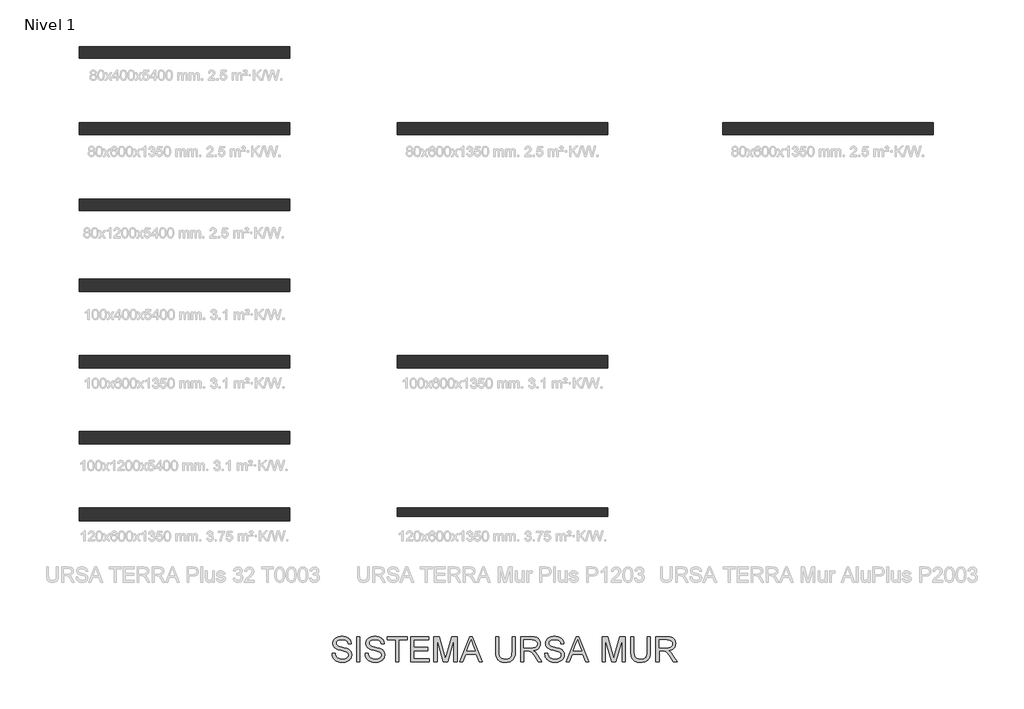
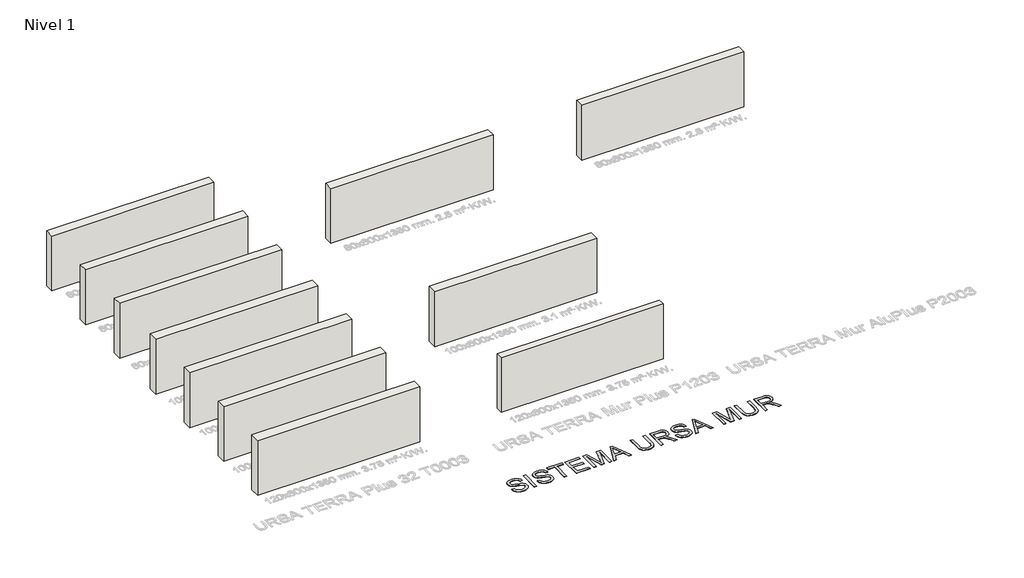
# One storey, part 1 of 15: 11 walls, 1 proxy.
"""IFC4 building model written with IfcOpenShell, lengths in millimetres."""

from ifc_helpers import new_model, si_unit, origin, origin_with_axes, place, context, project, spatial, polyline, outline, extrude, element, save

model = new_model("IFC4")

# Units and contexts
model_context = context("Model", 3, world=origin())
ifc_project = project(units=[si_unit("LENGTHUNIT", "METRE", prefix="MILLI")], contexts=[model_context])

# Site, building, storey
site = spatial("IfcSite", under=ifc_project)
building = spatial("IfcBuilding", under=site)
storey = spatial("IfcBuildingStorey", under=building, Name="Nivel 1", Elevation=0.0)

# Proxy
placement = place(None, origin())
element("IfcBuildingElementProxy", 1, Name="Texto de modelo 2", ObjectType="Texto de modelo 2", at=placement, inside=storey, context=model_context, shape_type="SweptSolid", body=[
    extrude(outline(polyline([(-16087.5902814, -17271.0062376), (-15962.0198937, -17271.0062376), (-15956.2717376, -17307.5568466), (-15947.6111823, -17340.6892188), (-15936.0382278, -17370.4033541), (-15921.5528743, -17396.6992526), (-15903.4193576, -17420.1057445), (-15880.9019138, -17441.1516603), (-15854.0005429, -17459.837), (-15822.7152449, -17476.1617635), (-15788.195651, -17489.4131796), (-15751.5913925, -17498.8784767), (-15712.9024693, -17504.557655), (-15672.1288815, -17506.4507145), (-15602.1699888, -17500.7178867), (-15570.4554951, -17493.551852), (-15540.9176366, -17483.5194034), (-15514.284513, -17470.9807588), (-15491.2842241, -17456.2961358), (-15471.9167699, -17439.4655345), (-15456.1821504, -17420.4889549), (-15444.0037235, -17400.1864673), (-15435.3048471, -17379.378142), (-15430.0855213, -17358.0639789), (-15428.3457461, -17336.243978), (-15433.5574077, -17294.2134601), (-15449.1923925, -17257.8851131), (-15462.3441738, -17241.7672831), (-15480.9528714, -17226.891055), (-15505.0184852, -17213.2564285), (-15534.5410153, -17200.8634038), (-15600.851745, -17181.1510602), (-15717.3783669, -17152.9161171), (-15837.3998679, -17121.186295), (-15881.2008179, -17105.8961996), (-15914.1952344, -17090.9893146), (-15947.7261454, -17070.9857311), (-15976.7045167, -17048.7441988), (-16001.1303483, -17024.2647177), (-16021.0036403, -16997.5472878), (-16036.4010346, -16968.8678206), (-16047.3991734, -16938.5022276), (-16053.9980567, -16906.4505088), (-16056.1976845, -16872.7126641), (-16053.4768906, -16835.3189921), (-16045.3145088, -16799.1669219), (-16031.7105392, -16764.2564534), (-16012.6649817, -16730.5875866), (-15988.3924343, -16699.5322149), (-15959.1074946, -16672.4622314), (-15924.8101628, -16649.3776362), (-15885.5004387, -16630.2784293), (-15842.5042305, -16615.3102306), (-15797.1474462, -16604.6186601), (-15749.4300858, -16598.2037178), (-15699.3521492, -16596.0654037), (-15644.7216729, -16598.3033525), (-15593.4021346, -16605.017199), (-15545.3935342, -16616.206943), (-15500.6958718, -16631.8725846), (-15460.1368818, -16651.8761681), (-15424.5442988, -16676.0797377), (-15393.9181227, -16704.4832934), (-15368.2583535, -16737.0868352), (-15347.7642607, -16772.9400013), (-15332.6351136, -16811.0924299), (-15322.8709124, -16851.544121), (-15318.4716568, -16894.2950745), (-15444.0420445, -16894.2950745), (-15452.4420167, -16854.2265939), (-15467.0959829, -16819.3697748), (-15488.0039429, -16789.7246174), (-15515.1658969, -16765.2911215), (-15549.0876826, -16746.1919146), (-15590.2751376, -16732.5496239), (-15638.7282621, -16724.3642496), (-15694.4470559, -16721.6357914), (-15751.9439461, -16724.3335927), (-15801.0715208, -16732.4269966), (-15841.8297802, -16745.9160031), (-15874.2187242, -16764.8006122), (-15898.8974747, -16787.501997), (-15916.5251537, -16812.4413306), (-15927.101761, -16839.618613), (-15930.6272968, -16869.0338442), (-15928.1287649, -16894.3410597), (-15920.6331693, -16917.2876992), (-15908.1405099, -16937.8737625), (-15890.6507867, -16956.0992497), (-15863.1209507, -16973.3590466), (-15819.7721889, -16990.8027846), (-15760.6045014, -17008.4304635), (-15685.617888, -17026.2420834), (-15547.1716305, -17059.903286), (-15498.457923, -17075.1244035), (-15463.4171629, -17089.2725319), (-15424.919845, -17110.7169866), (-15391.833458, -17134.8285857), (-15364.1580021, -17161.6073292), (-15341.8934772, -17191.0532173), (-15324.7793002, -17223.0129656), (-15312.5548881, -17257.3332901), (-15305.2202408, -17294.0141907), (-15302.7753584, -17333.0556674), (-15305.5881228, -17372.3347346), (-15314.0264161, -17410.4641706), (-15328.0902382, -17447.4439753), (-15347.7795891, -17483.2741488), (-15372.7495795, -17516.5674693), (-15402.6553201, -17545.9367153), (-15437.4968107, -17571.3818866), (-15477.2740514, -17592.9029833), (-15520.8297468, -17610.0171603), (-15567.0066014, -17622.2415725), (-15615.8046152, -17629.5762197), (-15667.2237883, -17632.0211022), (-15731.4575175, -17629.3846145), (-15790.2496588, -17621.4751516), (-15843.6002123, -17608.2927135), (-15891.509178, -17589.8373), (-15934.2677957, -17566.0782545), (-15972.1673054, -17536.9849201), (-16005.2077071, -17502.5572967), (-16033.3890008, -17462.7953844), (-16056.0903856, -17418.9867701), (-16072.6910606, -17372.4190409), (-16083.1910259, -17323.0921967), (-16087.5902814, -17271.0062376)])), origin_with_axes(), (0.0, 0.0, 1.0), 10.0),
    extrude(outline(polyline([(-15098.7234784, -17616.3248037), (-15098.7234784, -16611.7617022), (-14973.1530907, -16611.7617022), (-14973.1530907, -17616.3248037), (-15098.7234784, -17616.3248037)])), origin_with_axes(), (0.0, 0.0, 1.0), 10.0),
    extrude(outline(polyline([(-14769.1012107, -17271.0062376), (-14643.530823, -17271.0062376), (-14637.7826668, -17307.5568466), (-14629.1221115, -17340.6892188), (-14617.5491571, -17370.4033541), (-14603.0638035, -17396.6992526), (-14584.9302869, -17420.1057445), (-14562.4128431, -17441.1516603), (-14535.5114722, -17459.837), (-14504.2261742, -17476.1617635), (-14469.7065803, -17489.4131796), (-14433.1023218, -17498.8784767), (-14394.4133986, -17504.557655), (-14353.6398108, -17506.4507145), (-14283.6809181, -17500.7178867), (-14251.9664244, -17493.551852), (-14222.4285659, -17483.5194034), (-14195.7954423, -17470.9807588), (-14172.7951534, -17456.2961358), (-14153.4276991, -17439.4655345), (-14137.6930796, -17420.4889549), (-14125.5146528, -17400.1864673), (-14116.8157764, -17379.378142), (-14111.5964506, -17358.0639789), (-14109.8566753, -17336.243978), (-14115.0683369, -17294.2134601), (-14130.7033217, -17257.8851131), (-14143.8551031, -17241.7672831), (-14162.4638007, -17226.891055), (-14186.5294145, -17213.2564285), (-14216.0519446, -17200.8634038), (-14282.3626743, -17181.1510602), (-14398.8892962, -17152.9161171), (-14518.9107971, -17121.186295), (-14562.7117472, -17105.8961996), (-14595.7061636, -17090.9893146), (-14629.2370747, -17070.9857311), (-14658.215446, -17048.7441988), (-14682.6412776, -17024.2647177), (-14702.5145696, -16997.5472878), (-14717.9119639, -16968.8678206), (-14728.9101027, -16938.5022276), (-14735.508986, -16906.4505088), (-14737.7086138, -16872.7126641), (-14734.9878199, -16835.3189921), (-14726.8254381, -16799.1669219), (-14713.2214685, -16764.2564534), (-14694.175911, -16730.5875866), (-14669.9033635, -16699.5322149), (-14640.6184239, -16672.4622314), (-14606.321092, -16649.3776362), (-14567.011368, -16630.2784293), (-14524.0151598, -16615.3102306), (-14478.6583755, -16604.6186601), (-14430.9410151, -16598.2037178), (-14380.8630785, -16596.0654037), (-14326.2326022, -16598.3033525), (-14274.9130638, -16605.017199), (-14226.9044635, -16616.206943), (-14182.2068011, -16631.8725846), (-14141.6478111, -16651.8761681), (-14106.0552281, -16676.0797377), (-14075.429052, -16704.4832934), (-14049.7692828, -16737.0868352), (-14029.27519, -16772.9400013), (-14014.1460429, -16811.0924299), (-14004.3818416, -16851.544121), (-13999.9825861, -16894.2950745), (-14125.5529738, -16894.2950745), (-14133.952946, -16854.2265939), (-14148.6069122, -16819.3697748), (-14169.5148722, -16789.7246174), (-14196.6768262, -16765.2911215), (-14230.5986118, -16746.1919146), (-14271.7860669, -16732.5496239), (-14320.2391913, -16724.3642496), (-14375.9579852, -16721.6357914), (-14433.4548754, -16724.3335927), (-14482.5824501, -16732.4269966), (-14523.3407095, -16745.9160031), (-14555.7296535, -16764.8006122), (-14580.408404, -16787.501997), (-14598.0360829, -16812.4413306), (-14608.6126903, -16839.618613), (-14612.1382261, -16869.0338442), (-14609.6396942, -16894.3410597), (-14602.1440986, -16917.2876992), (-14589.6514391, -16937.8737625), (-14572.161716, -16956.0992497), (-14544.63188, -16973.3590466), (-14501.2831182, -16990.8027846), (-14442.1154307, -17008.4304635), (-14367.1288173, -17026.2420834), (-14228.6825598, -17059.903286), (-14179.9688523, -17075.1244035), (-14144.9280922, -17089.2725319), (-14106.4307743, -17110.7169866), (-14073.3443873, -17134.8285857), (-14045.6689314, -17161.6073292), (-14023.4044065, -17191.0532173), (-14006.2902295, -17223.0129656), (-13994.0658174, -17257.3332901), (-13986.7311701, -17294.0141907), (-13984.2862877, -17333.0556674), (-13987.0990521, -17372.3347346), (-13995.5373453, -17410.4641706), (-14009.6011675, -17447.4439753), (-14029.2905184, -17483.2741488), (-14054.2605088, -17516.5674693), (-14084.1662493, -17545.9367153), (-14119.00774, -17571.3818866), (-14158.7849807, -17592.9029833), (-14202.3406761, -17610.0171603), (-14248.5175307, -17622.2415725), (-14297.3155445, -17629.5762197), (-14348.7347175, -17632.0211022), (-14412.9684467, -17629.3846145), (-14471.7605881, -17621.4751516), (-14525.1111416, -17608.2927135), (-14573.0201073, -17589.8373), (-14615.778725, -17566.0782545), (-14653.6782347, -17536.9849201), (-14686.7186364, -17502.5572967), (-14714.8999301, -17462.7953844), (-14737.6013149, -17418.9867701), (-14754.2019899, -17372.4190409), (-14764.7019552, -17323.0921967), (-14769.1012107, -17271.0062376)])), origin_with_axes(), (0.0, 0.0, 1.0), 10.0),
    extrude(outline(polyline([(-13544.7899308, -17616.3248037), (-13544.7899308, -16737.3320899), (-13874.4121984, -16737.3320899), (-13874.4121984, -16611.7617022), (-13089.5972754, -16611.7617022), (-13089.5972754, -16737.3320899), (-13419.2195431, -16737.3320899), (-13419.2195431, -17616.3248037), (-13544.7899308, -17616.3248037)])), origin_with_axes(), (0.0, 0.0, 1.0), 10.0),
    extrude(outline(polyline([(-12948.3305892, -17616.3248037), (-12948.3305892, -16611.7617022), (-12226.30086, -16611.7617022), (-12226.30086, -16737.3320899), (-12822.7602016, -16737.3320899), (-12822.7602016, -17035.5617606), (-12257.693457, -17035.5617606), (-12257.693457, -17161.1321483), (-12822.7602016, -17161.1321483), (-12822.7602016, -17490.754416), (-12210.6045616, -17490.754416), (-12210.6045616, -17616.3248037), (-12948.3305892, -17616.3248037)])), origin_with_axes(), (0.0, 0.0, 1.0), 10.0),
    extrude(outline(polyline([(-12022.24898, -17616.3248037), (-12022.24898, -16611.7617022), (-11806.1796215, -16611.7617022), (-11600.6562136, -17319.8119156), (-11559.2081755, -17467.7004776), (-11514.326572, -17307.5491824), (-11312.2367294, -16611.7617022), (-11096.1673709, -16611.7617022), (-11096.1673709, -17616.3248037), (-11221.7377585, -17616.3248037), (-11221.7377585, -16737.3320899), (-11474.1048072, -17616.3248037), (-11644.3115437, -17616.3248037), (-11896.6785924, -16737.3320899), (-11896.6785924, -17616.3248037), (-12022.24898, -17616.3248037)])), origin_with_axes(), (0.0, 0.0, 1.0), 10.0),
    extrude(outline(polyline([(-10993.4056669, -17616.3248037), (-10592.4142921, -16611.7617022), (-10485.4832589, -16611.7617022), (-10084.4918841, -17616.3248037), (-10217.174657, -17616.3248037), (-10332.1990942, -17302.3988345), (-10745.9437114, -17302.3988345), (-10860.7228939, -17616.3248037), (-10993.4056669, -17616.3248037)]), holes=[polyline([(-10699.8358347, -17176.8284468), (-10378.0617163, -17176.8284468), (-10468.5606871, -16929.8570007), (-10538.9487755, -16737.3320899), (-10601.4887147, -16908.2745903), (-10699.8358347, -17176.8284468)])]), origin_with_axes(), (0.0, 0.0, 1.0), 10.0),
    extrude(outline(polyline([(-8898.6855863, -16611.7617022), (-8773.1151986, -16611.7617022), (-8773.1151986, -17191.2984719), (-8775.2458485, -17263.0584536), (-8781.6377982, -17327.0162713), (-8792.2910476, -17383.171925), (-8807.2055969, -17431.5254148), (-8827.6690328, -17473.9084863), (-8854.9689426, -17512.1528854), (-8889.105326, -17546.258612), (-8930.0781833, -17576.2256662), (-8977.9334995, -17600.6361694), (-9032.7172599, -17618.0722432), (-9094.4294646, -17628.5338874), (-9163.0701135, -17632.0211022), (-9230.0169724, -17628.9860757), (-9290.5718817, -17619.8809963), (-9344.7348413, -17604.705864), (-9392.5058512, -17583.4606788), (-9433.8925757, -17556.4596732), (-9468.9026789, -17524.0170797), (-9497.5361608, -17486.1328984), (-9519.7930215, -17442.8071293), (-9536.4780028, -17392.5529159), (-9548.3958467, -17333.8834019), (-9555.5465529, -17266.7985872), (-9557.9301217, -17191.2984719), (-9557.9301217, -16611.7617022), (-9432.359734, -16611.7617022), (-9432.359734, -17186.883888), (-9430.8115639, -17247.5920814), (-9426.1670538, -17299.73169), (-9418.4262034, -17343.3027138), (-9407.589013, -17378.3051528), (-9392.9810321, -17407.2681957), (-9373.9278104, -17432.7210313), (-9350.429348, -17454.6636594), (-9322.4856448, -17473.0960802), (-9290.6331954, -17487.6887327), (-9255.4084943, -17498.1120559), (-9216.8115417, -17504.3660498), (-9174.8423374, -17506.4507145), (-9105.634537, -17502.3273704), (-9047.1259714, -17489.9573384), (-8999.3166404, -17469.3406182), (-8979.424188, -17455.9397501), (-8962.2065442, -17440.47721), (-8947.3188197, -17422.0831102), (-8934.4161251, -17399.8875632), (-8914.5658258, -17344.0921273), (-8902.6556462, -17273.0909022), (-8898.6855863, -17186.883888), (-8898.6855863, -16611.7617022)])), origin_with_axes(), (0.0, 0.0, 1.0), 10.0),
    extrude(outline(polyline([(-8553.3670202, -17616.3248037), (-8553.3670202, -16611.7617022), (-8120.4925392, -16611.7617022), (-8058.3588031, -16613.4554922), (-8004.1498582, -16618.5368623), (-7957.8657047, -16627.0058124), (-7919.5063425, -16638.8623425), (-7886.841487, -16655.0184935), (-7857.6408537, -16676.386306), (-7831.9044424, -16702.9657802), (-7809.6322533, -16734.7569159), (-7791.659685, -16770.0505948), (-7778.8221362, -16807.1376985), (-7771.1196069, -16846.0182268), (-7768.5520972, -16886.6921799), (-7772.8057327, -16938.2876298), (-7785.5666394, -16985.6524366), (-7806.8348173, -17028.7866006), (-7836.6102663, -17067.6901216), (-7875.2761968, -17101.1213979), (-7923.2158193, -17127.8388278), (-7980.4291337, -17147.8424113), (-8046.9161402, -17161.1321483), (-8005.5294157, -17188.171475), (-7975.5470331, -17214.8429196), (-7924.1048674, -17275.8500172), (-7873.7663478, -17344.0921273), (-7706.2574126, -17616.3248037), (-7852.1839374, -17616.3248037), (-7982.904673, -17408.1035944), (-8035.20523, -17328.6410835), (-8077.3277184, -17270.2704736), (-8112.4297921, -17230.0793656), (-8143.6691049, -17205.1553604), (-8173.2529487, -17190.5320511), (-8203.3886155, -17181.2430307), (-8276.2292505, -17176.8284468), (-8427.7966325, -17176.8284468), (-8427.7966325, -17616.3248037), (-8553.3670202, -17616.3248037)]), holes=[polyline([(-8427.7966325, -17051.2580591), (-8146.7347882, -17051.2580591), (-8066.0153471, -17046.8128183), (-8003.3834374, -17033.477096), (-7978.1988492, -17023.2530422), (-7956.2332284, -17010.361844), (-7937.486575, -16994.8035013), (-7921.9588891, -16976.5780141), (-7909.7804623, -16956.5820948), (-7901.0815859, -16935.7124558), (-7895.8622601, -16913.969097), (-7894.1224848, -16891.3520185), (-7897.441087, -16859.238986), (-7907.3968935, -16830.0996663), (-7923.9899043, -16803.9340594), (-7947.2201195, -16780.7421653), (-7977.6240335, -16761.7502573), (-8015.7381411, -16748.1846087), (-8061.5624421, -16740.0452196), (-8115.0969366, -16737.3320899), (-8427.7966325, -16737.3320899), (-8427.7966325, -17051.2580591)])]), origin_with_axes(), (0.0, 0.0, 1.0), 10.0),
    extrude(outline(polyline([(-7595.8928141, -17271.0062376), (-7470.3224264, -17271.0062376), (-7464.5742702, -17307.5568466), (-7455.9137149, -17340.6892188), (-7444.3407605, -17370.4033541), (-7429.8554069, -17396.6992526), (-7411.7218902, -17420.1057445), (-7389.2044465, -17441.1516603), (-7362.3030756, -17459.837), (-7331.0177776, -17476.1617635), (-7296.4981837, -17489.4131796), (-7259.8939252, -17498.8784767), (-7221.205002, -17504.557655), (-7180.4314142, -17506.4507145), (-7110.4725214, -17500.7178867), (-7078.7580278, -17493.551852), (-7049.2201692, -17483.5194034), (-7022.5870456, -17470.9807588), (-6999.5867567, -17456.2961358), (-6980.2193025, -17439.4655345), (-6964.484683, -17420.4889549), (-6952.3062561, -17400.1864673), (-6943.6073798, -17379.378142), (-6938.388054, -17358.0639789), (-6936.6482787, -17336.243978), (-6941.8599403, -17294.2134601), (-6957.4949251, -17257.8851131), (-6970.6467064, -17241.7672831), (-6989.255404, -17226.891055), (-7013.3210179, -17213.2564285), (-7042.843548, -17200.8634038), (-7109.1542776, -17181.1510602), (-7225.6808996, -17152.9161171), (-7345.7024005, -17121.186295), (-7389.5033506, -17105.8961996), (-7422.497767, -17090.9893146), (-7456.028678, -17070.9857311), (-7485.0070494, -17048.7441988), (-7509.432881, -17024.2647177), (-7529.306173, -16997.5472878), (-7544.7035673, -16968.8678206), (-7555.7017061, -16938.5022276), (-7562.3005894, -16906.4505088), (-7564.5002172, -16872.7126641), (-7561.7794232, -16835.3189921), (-7553.6170415, -16799.1669219), (-7540.0130719, -16764.2564534), (-7520.9675144, -16730.5875866), (-7496.6949669, -16699.5322149), (-7467.4100273, -16672.4622314), (-7433.1126954, -16649.3776362), (-7393.8029714, -16630.2784293), (-7350.8067632, -16615.3102306), (-7305.4499789, -16604.6186601), (-7257.7326184, -16598.2037178), (-7207.6546818, -16596.0654037), (-7153.0242056, -16598.3033525), (-7101.7046672, -16605.017199), (-7053.6960669, -16616.206943), (-7008.9984044, -16631.8725846), (-6968.4394145, -16651.8761681), (-6932.8468314, -16676.0797377), (-6902.2206553, -16704.4832934), (-6876.5608862, -16737.0868352), (-6856.0667934, -16772.9400013), (-6840.9376463, -16811.0924299), (-6831.173445, -16851.544121), (-6826.7741895, -16894.2950745), (-6952.3445772, -16894.2950745), (-6960.7445494, -16854.2265939), (-6975.3985156, -16819.3697748), (-6996.3064756, -16789.7246174), (-7023.4684296, -16765.2911215), (-7057.3902152, -16746.1919146), (-7098.5776703, -16732.5496239), (-7147.0307947, -16724.3642496), (-7202.7495886, -16721.6357914), (-7260.2464787, -16724.3335927), (-7309.3740535, -16732.4269966), (-7350.1323129, -16745.9160031), (-7382.5212569, -16764.8006122), (-7407.2000074, -16787.501997), (-7424.8276863, -16812.4413306), (-7435.4042937, -16839.618613), (-7438.9298295, -16869.0338442), (-7436.4312976, -16894.3410597), (-7428.9357019, -16917.2876992), (-7416.4430425, -16937.8737625), (-7398.9533193, -16956.0992497), (-7371.4234834, -16973.3590466), (-7328.0747216, -16990.8027846), (-7268.907034, -17008.4304635), (-7193.9204207, -17026.2420834), (-7055.4741632, -17059.903286), (-7006.7604556, -17075.1244035), (-6971.7196956, -17089.2725319), (-6933.2223776, -17110.7169866), (-6900.1359907, -17134.8285857), (-6872.4605348, -17161.6073292), (-6850.1960099, -17191.0532173), (-6833.0818329, -17223.0129656), (-6820.8574207, -17257.3332901), (-6813.5227735, -17294.0141907), (-6811.077891, -17333.0556674), (-6813.8906555, -17372.3347346), (-6822.3289487, -17410.4641706), (-6836.3927708, -17447.4439753), (-6856.0821218, -17483.2741488), (-6881.0521122, -17516.5674693), (-6910.9578527, -17545.9367153), (-6945.7993434, -17571.3818866), (-6985.5765841, -17592.9029833), (-7029.1322795, -17610.0171603), (-7075.3091341, -17622.2415725), (-7124.1071479, -17629.5762197), (-7175.5263209, -17632.0211022), (-7239.7600501, -17629.3846145), (-7298.5521915, -17621.4751516), (-7351.902745, -17608.2927135), (-7399.8117107, -17589.8373), (-7442.5703284, -17566.0782545), (-7480.4698381, -17536.9849201), (-7513.5102398, -17502.5572967), (-7541.6915335, -17462.7953844), (-7564.3929182, -17418.9867701), (-7580.9935933, -17372.4190409), (-7591.4935586, -17323.0921967), (-7595.8928141, -17271.0062376)])), origin_with_axes(), (0.0, 0.0, 1.0), 10.0),
    extrude(outline(polyline([(-6739.708784, -17616.3248037), (-6338.7174092, -16611.7617022), (-6231.786376, -16611.7617022), (-5830.7950012, -17616.3248037), (-5963.4777742, -17616.3248037), (-6078.5022113, -17302.3988345), (-6492.2468286, -17302.3988345), (-6607.026011, -17616.3248037), (-6739.708784, -17616.3248037)]), holes=[polyline([(-6446.1389518, -17176.8284468), (-6124.3648334, -17176.8284468), (-6214.8638042, -16929.8570007), (-6285.2518926, -16737.3320899), (-6347.7918318, -16908.2745903), (-6446.1389518, -17176.8284468)])]), origin_with_axes(), (0.0, 0.0, 1.0), 10.0),
    extrude(outline(polyline([(-5304.2332388, -17616.3248037), (-5304.2332388, -16611.7617022), (-5088.1638803, -16611.7617022), (-4882.6404723, -17319.8119156), (-4841.1924342, -17467.7004776), (-4796.3108308, -17307.5491824), (-4594.2209881, -16611.7617022), (-4378.1516296, -16611.7617022), (-4378.1516296, -17616.3248037), (-4503.7220173, -17616.3248037), (-4503.7220173, -16737.3320899), (-4756.089066, -17616.3248037), (-4926.2958024, -17616.3248037), (-5178.6628511, -16737.3320899), (-5178.6628511, -17616.3248037), (-5304.2332388, -17616.3248037)])), origin_with_axes(), (0.0, 0.0, 1.0), 10.0),
    extrude(outline(polyline([(-3499.1589158, -16611.7617022), (-3373.5885281, -16611.7617022), (-3373.5885281, -17191.2984719), (-3375.719178, -17263.0584536), (-3382.1111277, -17327.0162713), (-3392.7643771, -17383.171925), (-3407.6789263, -17431.5254148), (-3428.1423623, -17473.9084863), (-3455.442272, -17512.1528854), (-3489.5786555, -17546.258612), (-3530.5515127, -17576.2256662), (-3578.4068289, -17600.6361694), (-3633.1905894, -17618.0722432), (-3694.9027941, -17628.5338874), (-3763.543443, -17632.0211022), (-3830.4903019, -17628.9860757), (-3891.0452112, -17619.8809963), (-3945.2081707, -17604.705864), (-3992.9791807, -17583.4606788), (-4034.3659051, -17556.4596732), (-4069.3760083, -17524.0170797), (-4098.0094903, -17486.1328984), (-4120.266351, -17442.8071293), (-4136.9513323, -17392.5529159), (-4148.8691761, -17333.8834019), (-4156.0198824, -17266.7985872), (-4158.4034512, -17191.2984719), (-4158.4034512, -16611.7617022), (-4032.8330635, -16611.7617022), (-4032.8330635, -17186.883888), (-4031.2848934, -17247.5920814), (-4026.6403832, -17299.73169), (-4018.8995329, -17343.3027138), (-4008.0623425, -17378.3051528), (-3993.4543616, -17407.2681957), (-3974.4011399, -17432.7210313), (-3950.9026775, -17454.6636594), (-3922.9589742, -17473.0960802), (-3891.1065248, -17487.6887327), (-3855.8818238, -17498.1120559), (-3817.2848711, -17504.3660498), (-3775.3156668, -17506.4507145), (-3706.1078665, -17502.3273704), (-3647.5993008, -17489.9573384), (-3599.7899699, -17469.3406182), (-3579.8975174, -17455.9397501), (-3562.6798736, -17440.47721), (-3547.7921491, -17422.0831102), (-3534.8894546, -17399.8875632), (-3515.0391553, -17344.0921273), (-3503.1289757, -17273.0909022), (-3499.1589158, -17186.883888), (-3499.1589158, -16611.7617022)])), origin_with_axes(), (0.0, 0.0, 1.0), 10.0),
    extrude(outline(polyline([(-3153.8403497, -17616.3248037), (-3153.8403497, -16611.7617022), (-2720.9658687, -16611.7617022), (-2658.8321325, -16613.4554922), (-2604.6231877, -16618.5368623), (-2558.3390342, -16627.0058124), (-2519.979672, -16638.8623425), (-2487.3148165, -16655.0184935), (-2458.1141831, -16676.386306), (-2432.3777719, -16702.9657802), (-2410.1055827, -16734.7569159), (-2392.1330144, -16770.0505948), (-2379.2954656, -16807.1376985), (-2371.5929364, -16846.0182268), (-2369.0254266, -16886.6921799), (-2373.2790622, -16938.2876298), (-2386.0399689, -16985.6524366), (-2407.3081467, -17028.7866006), (-2437.0835957, -17067.6901216), (-2475.7495263, -17101.1213979), (-2523.6891487, -17127.8388278), (-2580.9024632, -17147.8424113), (-2647.3894696, -17161.1321483), (-2606.0027452, -17188.171475), (-2576.0203626, -17214.8429196), (-2524.5781969, -17275.8500172), (-2474.2396772, -17344.0921273), (-2306.7307421, -17616.3248037), (-2452.6572668, -17616.3248037), (-2583.3780025, -17408.1035944), (-2635.6785594, -17328.6410835), (-2677.8010479, -17270.2704736), (-2712.9031216, -17230.0793656), (-2744.1424344, -17205.1553604), (-2773.7262781, -17190.5320511), (-2803.8619449, -17181.2430307), (-2876.70258, -17176.8284468), (-3028.269962, -17176.8284468), (-3028.269962, -17616.3248037), (-3153.8403497, -17616.3248037)]), holes=[polyline([(-3028.269962, -17051.2580591), (-2747.2081177, -17051.2580591), (-2666.4886765, -17046.8128183), (-2603.8567669, -17033.477096), (-2578.6721786, -17023.2530422), (-2556.7065578, -17010.361844), (-2537.9599045, -16994.8035013), (-2522.4322186, -16976.5780141), (-2510.2537917, -16956.5820948), (-2501.5549154, -16935.7124558), (-2496.3355896, -16913.969097), (-2494.5958143, -16891.3520185), (-2497.9144165, -16859.238986), (-2507.870223, -16830.0996663), (-2524.4632338, -16803.9340594), (-2547.6934489, -16780.7421653), (-2578.097363, -16761.7502573), (-2616.2114705, -16748.1846087), (-2662.0357716, -16740.0452196), (-2715.5702661, -16737.3320899), (-3028.269962, -16737.3320899), (-3028.269962, -17051.2580591)])]), origin_with_axes(), (0.0, 0.0, 1.0), 10.0),
])

# Walls
element("IfcWall", 2, at=placement, inside=storey, context=model_context, shape_type="SweptSolid", body=[
    extrude(outline(polyline([(-17777.4179983, 6505.3831431), (-26177.4179983, 6505.3831431), (-26177.4179983, 6980.3831431), (-17777.4179983, 6980.3831431), (-17777.4179983, 6505.3831431)])), origin_with_axes(), (0.0, 0.0, 1.0), 3000.0),
])
element("IfcWall", 3, at=placement, inside=storey, context=model_context, shape_type="SweptSolid", body=[
    extrude(outline(polyline([(-17777.4179983, 3460.3831431), (-26177.4179983, 3460.3831431), (-26177.4179983, 3935.3831431), (-17777.4179983, 3935.3831431), (-17777.4179983, 3460.3831431)])), origin_with_axes(), (0.0, 0.0, 1.0), 3000.0),
])
element("IfcWall", 4, at=placement, inside=storey, context=model_context, shape_type="SweptSolid", body=[
    extrude(outline(polyline([(-17777.4179983, 415.3831431), (-26177.4179983, 415.3831431), (-26177.4179983, 890.3831431), (-17777.4179983, 890.3831431), (-17777.4179983, 415.3831431)])), origin_with_axes(), (0.0, 0.0, 1.0), 3000.0),
])
element("IfcWall", 5, at=placement, inside=storey, context=model_context, shape_type="SweptSolid", body=[
    extrude(outline(polyline([(-17777.4179983, -2814.6168569), (-26177.4179983, -2814.6168569), (-26177.4179983, -2319.6168569), (-17777.4179983, -2319.6168569), (-17777.4179983, -2814.6168569)])), origin_with_axes(), (0.0, 0.0, 1.0), 3000.0),
])
element("IfcWall", 6, at=placement, inside=storey, context=model_context, shape_type="SweptSolid", body=[
    extrude(outline(polyline([(-17777.4179983, -5859.6168569), (-26177.4179983, -5859.6168569), (-26177.4179983, -5364.6168569), (-17777.4179983, -5364.6168569), (-17777.4179983, -5859.6168569)])), origin_with_axes(), (0.0, 0.0, 1.0), 3000.0),
])
element("IfcWall", 7, at=placement, inside=storey, context=model_context, shape_type="SweptSolid", body=[
    extrude(outline(polyline([(-17777.4179983, -8904.6168569), (-26177.4179983, -8904.6168569), (-26177.4179983, -8409.6168569), (-17777.4179983, -8409.6168569), (-17777.4179983, -8904.6168569)])), origin_with_axes(), (0.0, 0.0, 1.0), 3000.0),
])
element("IfcWall", 8, at=placement, inside=storey, context=model_context, shape_type="SweptSolid", body=[
    extrude(outline(polyline([(-17777.4179983, -11969.6168569), (-26177.4179983, -11969.6168569), (-26177.4179983, -11454.6168569), (-17777.4179983, -11454.6168569), (-17777.4179983, -11969.6168569)])), origin_with_axes(), (0.0, 0.0, 1.0), 3000.0),
])
element("IfcWall", 9, at=placement, inside=storey, context=model_context, shape_type="SweptSolid", body=[
    extrude(outline(polyline([(-5077.4179983, 3460.3831431), (-13477.4179983, 3460.3831431), (-13477.4179983, 3935.3831431), (-5077.4179983, 3935.3831431), (-5077.4179983, 3460.3831431)])), origin_with_axes(), (0.0, 0.0, 1.0), 3000.0),
])
element("IfcWall", 10, at=placement, inside=storey, context=model_context, shape_type="SweptSolid", body=[
    extrude(outline(polyline([(-5077.4179983, -5859.6168569), (-13477.4179983, -5859.6168569), (-13477.4179983, -5364.6168569), (-5077.4179983, -5364.6168569), (-5077.4179983, -5859.6168569)])), origin_with_axes(), (0.0, 0.0, 1.0), 3000.0),
])
element("IfcWall", 11, at=placement, inside=storey, context=model_context, shape_type="SweptSolid", body=[
    extrude(outline(polyline([(-5077.4179983, -11804.6168569), (-13477.4179983, -11804.6168569), (-13477.4179983, -11454.6168569), (-5077.4179983, -11454.6168569), (-5077.4179983, -11804.6168569)])), origin_with_axes(), (0.0, 0.0, 1.0), 3000.0),
])
element("IfcWall", 12, at=placement, inside=storey, context=model_context, shape_type="SweptSolid", body=[
    extrude(outline(polyline([(7922.5820017, 3460.3831431), (-477.4179983, 3460.3831431), (-477.4179983, 3935.3831431), (7922.5820017, 3935.3831431), (7922.5820017, 3460.3831431)])), origin_with_axes(), (0.0, 0.0, 1.0), 3000.0),
])

save(model, "model.ifc")
